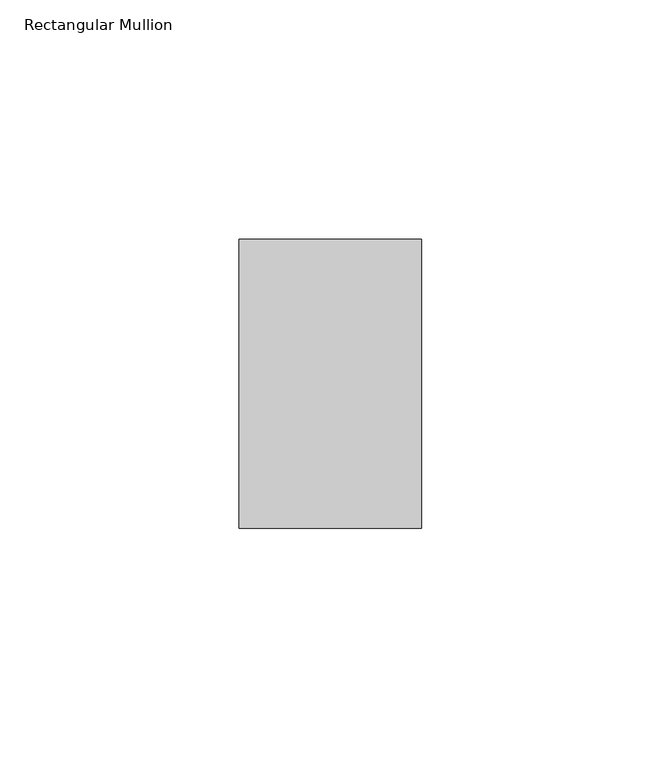
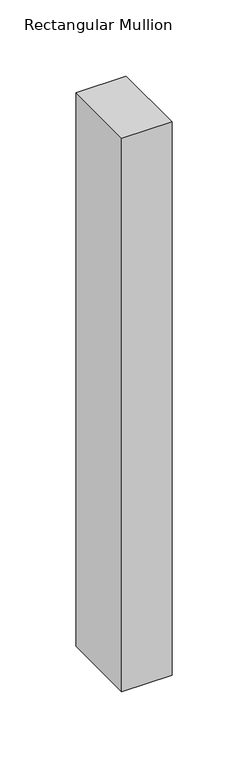
"""IFC4 building model written with IfcOpenShell, lengths in millimetres: member geometry, Rectangular Mullion."""

from ifc_helpers import new_model, si_unit, frame, origin, place, context, project, spatial, polyline, outline, extrude, source, transform, mapped, element, save


def rectangular_mullion_c23595ff(model_context):
    return source(origin(), model_context, "Body", "SweptSolid", [
        extrude(outline(polyline([(-38.1, -50.8), (-38.1, 9.525), (0.0, 9.525), (0.0, -50.8), (-38.1, -50.8)])), frame((0.0, 0.0, -444.5), z_axis=(0.0, 0.0, 1.0), x_axis=(1.0, 0.0, 0.0)), (0.0, 0.0, 1.0), 444.5),
    ])


if __name__ == "__main__":
    model = new_model("IFC4")
    model_context = context("Model", 3, world=origin())
    ifc_project = project(units=[si_unit("LENGTHUNIT", "METRE", prefix="MILLI")], contexts=[model_context])
    site = spatial("IfcSite", under=ifc_project)
    building = spatial("IfcBuilding", under=site)
    placement = place(None, origin())
    rectangular_mullion_shape = rectangular_mullion_c23595ff(model_context)
    element("IfcMember", 1, ObjectType="Rectangular Mullion", at=placement, inside=building, context=model_context, shape_type="MappedRepresentation", body=[
        mapped(rectangular_mullion_shape, transform((0.0, 0.0, 0.0), x_axis=(1.0, 0.0, 0.0), y_axis=(0.0, 1.0, 0.0), z_axis=(0.0, 0.0, 1.0))),
    ])
    save(model, "model.ifc")
